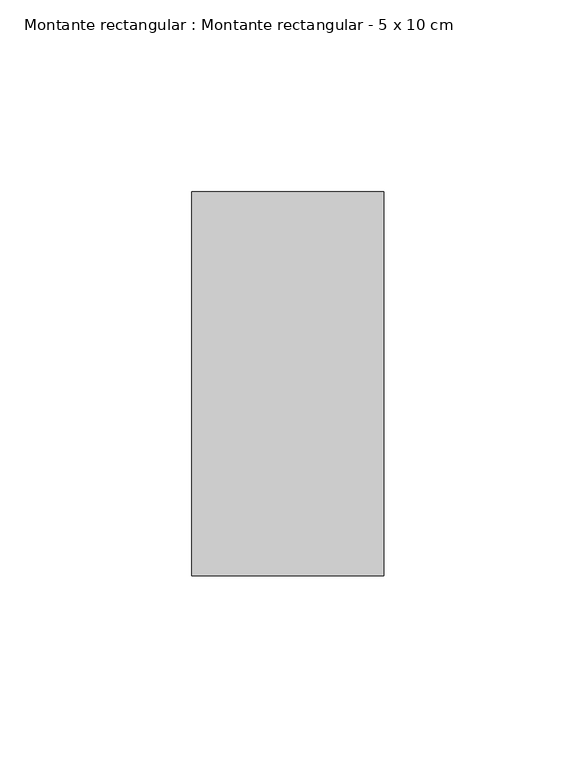
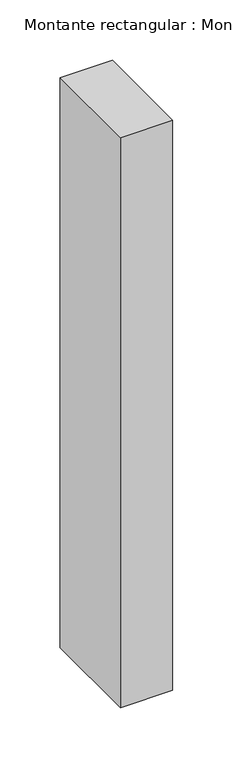
"""IFC4 building model written with IfcOpenShell, lengths in millimetres: member geometry, Montante rectangular : Montante rectangular - 5 x 10 cm."""

from ifc_helpers import new_model, si_unit, frame, origin, place, context, project, spatial, polyline, outline, extrude, source, transform, mapped, element, save


def montante_rectangular_montante_rectangular_5_x_10_cm_0db65fb8(model_context):
    return source(origin(), model_context, "Body", "SweptSolid", [
        extrude(outline(polyline([(0.0, 50.0), (0.0, -50.0), (-50.0, -50.0), (-50.0, 50.0), (0.0, 50.0)])), frame((0.0, 0.0, -577.0), z_axis=(0.0, 0.0, 1.0), x_axis=(1.0, 0.0, 0.0)), (0.0, 0.0, 1.0), 577.0),
    ])


if __name__ == "__main__":
    model = new_model("IFC4")
    model_context = context("Model", 3, world=origin())
    ifc_project = project(units=[si_unit("LENGTHUNIT", "METRE", prefix="MILLI")], contexts=[model_context])
    site = spatial("IfcSite", under=ifc_project)
    building = spatial("IfcBuilding", under=site)
    placement = place(None, origin())
    montante_rectangular_montante_rectangular_5_x_10_cm_shape = montante_rectangular_montante_rectangular_5_x_10_cm_0db65fb8(model_context)
    element("IfcMember", 1, ObjectType="Montante rectangular : Montante rectangular - 5 x 10 cm", at=placement, inside=building, context=model_context, shape_type="MappedRepresentation", body=[
        mapped(montante_rectangular_montante_rectangular_5_x_10_cm_shape, transform((0.0, 0.0, 0.0), x_axis=(1.0, 0.0, 0.0), y_axis=(0.0, 1.0, 0.0), z_axis=(0.0, 0.0, 1.0))),
    ])
    save(model, "model.ifc")
